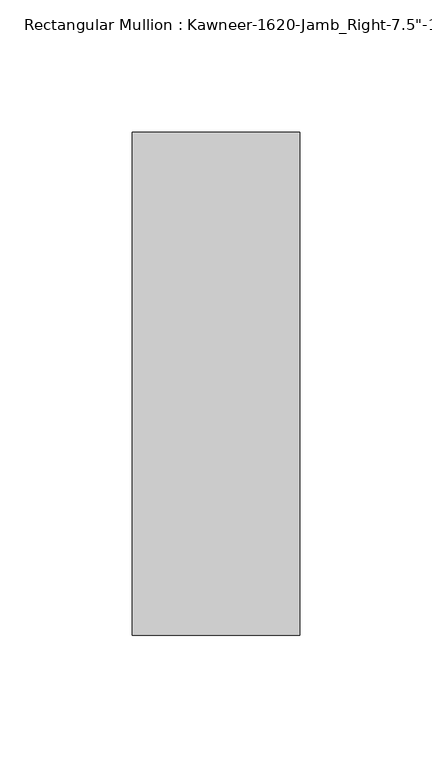
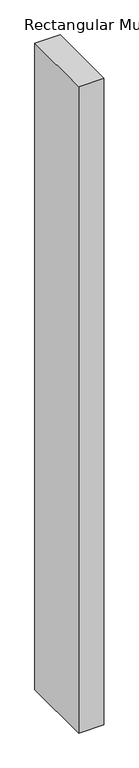
"""IFC4 building model written with IfcOpenShell, lengths in millimetres: member geometry."""

from ifc_helpers import new_model, si_unit, frame, origin, place, context, project, spatial, polyline, outline, extrude, source, transform, mapped, element, save


def member_dde05a28(model_context):
    return source(origin(), model_context, "Body", "SweptSolid", [
        extrude(outline(polyline([(-63.5, -38.1), (-63.5, 152.4), (0.0, 152.4), (0.0, -38.1), (-63.5, -38.1)])), frame((0.0, 0.0, -1720.85), z_axis=(0.0, 0.0, 1.0), x_axis=(1.0, 0.0, 0.0)), (0.0, 0.0, 1.0), 1720.85),
    ])


if __name__ == "__main__":
    model = new_model("IFC4")
    model_context = context("Model", 3, world=origin())
    ifc_project = project(units=[si_unit("LENGTHUNIT", "METRE", prefix="MILLI")], contexts=[model_context])
    site = spatial("IfcSite", under=ifc_project)
    building = spatial("IfcBuilding", under=site)
    placement = place(None, origin())
    member_shape = member_dde05a28(model_context)
    element("IfcMember", 1, ObjectType="Rectangular Mullion : Kawneer-1620-Jamb_Right-7.5\"-1\"Infill", at=placement, inside=building, context=model_context, shape_type="MappedRepresentation", body=[
        mapped(member_shape, transform((0.0, 0.0, 0.0), x_axis=(1.0, 0.0, 0.0), y_axis=(0.0, 1.0, 0.0), z_axis=(0.0, 0.0, 1.0))),
    ])
    save(model, "model.ifc")
